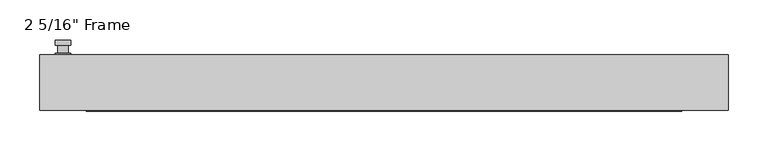
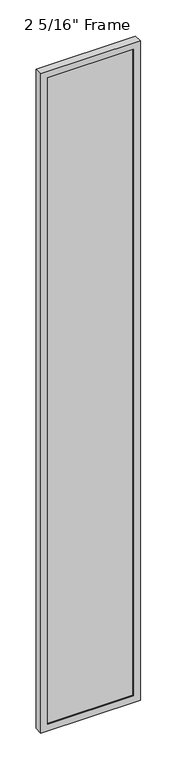
"""IFC4 building model written with IfcOpenShell, lengths in millimetres: plate geometry."""

from ifc_helpers import new_model, si_unit, frame, origin, place, context, project, spatial, polyline, circle_curve, outline, extrude, faceted_brep, source, transform, mapped, element, save
from ifc_brep_helpers import plane_surface, cylinder_surface, advanced_brep


def plate_1cd63632(model_context):
    return source(origin(), model_context, "Body", "SolidModel", [
        advanced_brep(
        [(-394.81125, 34.925, 927.1), (-413.86125, 34.925, 927.1), (-413.86125, 34.925, 901.7), (-394.81125, 34.925, 901.7), (-397.98625, 47.625, 914.4), (-397.98625, 38.1, 914.4), (-410.68625, 38.1, 914.4), (-410.68625, 47.625, 914.4), (-394.81125, 47.625, 914.4), (-413.86125, 47.625, 914.4), (-410.6822144, 47.625, 825.2736467), (-397.9902856, 47.625, 825.2736467), (-394.81125, 53.975, 914.4), (-397.9902856, 53.975, 825.2736467), (-410.6822144, 53.975, 825.2736467), (-413.86125, 53.975, 914.4), (-394.81125, 38.1, 927.1), (-394.81125, 38.1, 901.7), (-413.86125, 38.1, 901.7), (-413.86125, 38.1, 927.1)],
        [
            (0, 1, circle_curve(frame((-404.33625, 34.925, 927.1), z_axis=(0.0, -1.0, 0.0), x_axis=(-1.0, 0.0, 0.0)), 9.525)),
            (1, 2),
            (2, 3, circle_curve(frame((-404.33625, 34.925, 901.7), z_axis=(0.0, -1.0, 0.0), x_axis=(-1.0, 0.0, 0.0)), 9.525)),
            (3, 0),
            (4, 5),
            (5, 6, circle_curve(frame((-404.33625, 38.1, 914.4), z_axis=(0.0, 1.0, 0.0), x_axis=(-1.0, 0.0, 0.0)), 6.35)),
            (6, 7),
            (7, 4, circle_curve(frame((-404.33625, 47.625, 914.4), z_axis=(0.0, -1.0, 0.0), x_axis=(-1.0, 0.0, 0.0)), 6.35)),
            (6, 5, circle_curve(frame((-404.33625, 38.1, 914.4), z_axis=(0.0, 1.0, 0.0), x_axis=(-1.0, 0.0, 0.0)), 6.35)),
            (4, 7, circle_curve(frame((-404.33625, 47.625, 914.4), z_axis=(0.0, -1.0, 0.0), x_axis=(-1.0, 0.0, 0.0)), 6.35)),
            (8, 9, circle_curve(frame((-404.33625, 47.625, 914.4), z_axis=(0.0, -1.0, 0.0), x_axis=(-1.0, 0.0, 0.0)), 9.525)),
            (9, 10),
            (10, 11, circle_curve(frame((-404.33625, 47.625, 825.5), z_axis=(0.0, -1.0, 0.0), x_axis=(-1.0, 0.0, 0.0)), 6.35)),
            (11, 8),
            (12, 13),
            (13, 14, circle_curve(frame((-404.33625, 53.975, 825.5), z_axis=(0.0, 1.0, 0.0), x_axis=(-1.0, 0.0, 0.0)), 6.35)),
            (14, 15),
            (15, 12, circle_curve(frame((-404.33625, 53.975, 914.4), z_axis=(0.0, 1.0, 0.0), x_axis=(-1.0, 0.0, 0.0)), 9.525)),
            (11, 13),
            (12, 8),
            (10, 14),
            (9, 15),
            (16, 17),
            (17, 18, circle_curve(frame((-404.33625, 38.1, 901.7), z_axis=(0.0, 1.0, 0.0), x_axis=(-1.0, 0.0, 0.0)), 9.525)),
            (18, 19),
            (19, 16, circle_curve(frame((-404.33625, 38.1, 927.1), z_axis=(0.0, 1.0, 0.0), x_axis=(-1.0, 0.0, 0.0)), 9.525)),
            (3, 17),
            (16, 0),
            (2, 18),
            (1, 19),
        ],
        [
            plane_surface(frame((-410.68625, 34.925, 914.4), z_axis=(0.0, -1.0, 0.0), x_axis=(0.0, 0.0, 1.0))),
            cylinder_surface(frame((-404.33625, 47.625, 914.4), z_axis=(0.0, -1.0, 0.0), x_axis=(-1.0, 0.0, 0.0)), 6.35),
            plane_surface(frame((-394.81125, 47.625, 914.4), z_axis=(0.0, -1.0000000000000002, 0.0), x_axis=(-0.03564619348186888, 0.0, -0.9993644724975235))),
            plane_surface(frame((-394.81125, 53.975, 914.4), z_axis=(0.0, 1.0000000000000002, 0.0), x_axis=(0.03564619348186888, 0.0, 0.9993644724975235))),
            plane_surface(frame((-394.81125, 47.625, 914.4), z_axis=(0.9993644724975235, 0.0, -0.03564619348186888), x_axis=(0.0, 1.0, 0.0))),
            cylinder_surface(frame((-404.33625, 53.975, 825.5), z_axis=(0.0, -1.0, 0.0), x_axis=(-1.0, 0.0, 0.0)), 6.35),
            plane_surface(frame((-410.6822144, 47.625, 825.2736467), z_axis=(-0.9993644724975228, 0.0, -0.03564619348188612), x_axis=(0.0, 1.0, 0.0))),
            cylinder_surface(frame((-404.33625, 53.975, 914.4), z_axis=(0.0, -1.0, 0.0), x_axis=(-1.0, 0.0, 0.0)), 9.525),
            plane_surface(frame((-394.81125, 38.1, 901.7), z_axis=(0.0, 1.0, 0.0), x_axis=(0.0, 0.0, 1.0))),
            plane_surface(frame((-394.81125, 34.925, 927.1), z_axis=(1.0, 0.0, 0.0), x_axis=(0.0, 1.0, 0.0))),
            cylinder_surface(frame((-404.33625, 38.1, 901.7), z_axis=(0.0, -1.0, 0.0), x_axis=(-1.0, 0.0, 0.0)), 9.525),
            plane_surface(frame((-413.86125, 34.925, 901.7), z_axis=(-1.0, 0.0, 0.0), x_axis=(0.0, 1.0, 0.0))),
            cylinder_surface(frame((-404.33625, 38.1, 927.1), z_axis=(0.0, -1.0, 0.0), x_axis=(-1.0, 0.0, 0.0)), 9.525),
        ],
        [
            (0, [[1, 2, 3, 4]]),
            (1, [[5, 6, 7, 8]]),
            (1, [[-7, 9, -5, 10]]),
            (2, [[11, 12, 13, 14], [-10, -8]]),
            (3, [[15, 16, 17, 18]]),
            (4, [[19, -15, 20, -14]]),
            (5, [[21, -16, -19, -13]]),
            (6, [[22, -17, -21, -12]]),
            (7, [[-20, -18, -22, -11]]),
            (8, [[23, 24, 25, 26], [-9, -6]]),
            (9, [[27, -23, 28, -4]]),
            (10, [[29, -24, -27, -3]]),
            (11, [[30, -25, -29, -2]]),
            (12, [[-28, -26, -30, -1]]),
        ],
    ),
        faceted_brep([(-433.705, 34.925, 0.0), (433.705, 34.925, 0.0), (433.705, -34.925, 0.0), (-433.705, -34.925, 0.0), (-374.9675, -34.925, 6000.75), (-374.9675, -34.925, 58.7375), (-374.9675, -22.225, 58.7375), (-374.9675, -22.225, 6000.75), (387.6675, -22.225, 6013.45), (387.6675, -22.225, 46.0375), (-387.6675, -22.225, 46.0375), (-387.6675, -22.225, 6013.45), (374.9675, -22.225, 58.7375), (374.9675, -22.225, 6000.75), (-387.6675, 1.5875, 46.0375), (-387.6675, 1.5875, 6013.45), (387.6675, 1.5875, 46.0375), (387.6675, 1.5875, 6013.45), (-374.9675, 1.5875, 6000.75), (374.9675, 1.5875, 6000.75), (374.9675, 1.5875, 58.7375), (-374.9675, 1.5875, 58.7375), (-374.9675, 34.925, 58.7375), (-374.9675, 34.925, 6000.75), (-433.705, 34.925, 6059.4875), (433.705, 34.925, 6059.4875), (374.9675, 34.925, 58.7375), (374.9675, 34.925, 6000.75), (-433.705, -34.925, 6059.4875), (433.705, -34.925, 6059.4875), (374.9675, -34.925, 6000.75), (374.9675, -34.925, 58.7375)], [[[0, 1, 2, 3]], [[4, 5, 6, 7]], [[8, 9, 10, 11], [7, 6, 12, 13]], [[10, 14, 15, 11]], [[15, 14, 16, 17], [18, 19, 20, 21]], [[18, 21, 22, 23]], [[0, 24, 25, 1], [23, 22, 26, 27]], [[3, 28, 24, 0]], [[2, 29, 28, 3], [4, 30, 31, 5]], [[7, 13, 30, 4]], [[11, 15, 17, 8]], [[18, 23, 27, 19]], [[24, 28, 29, 25]], [[13, 12, 31, 30]], [[16, 9, 8, 17]], [[27, 26, 20, 19]], [[25, 29, 2, 1]], [[22, 21, 20, 26]], [[9, 16, 14, 10]], [[6, 5, 31, 12]]]),
        extrude(outline(polyline([(387.6675, 1.5875), (387.6675, -22.225), (-387.6675, -22.225), (-387.6675, 1.5875), (387.6675, 1.5875)])), frame((0.0, 0.0, 46.0375), z_axis=(0.0, 0.0, 1.0), x_axis=(1.0, 0.0, 0.0)), (0.0, 0.0, 1.0), 5967.4125),
    ])


if __name__ == "__main__":
    model = new_model("IFC4")
    model_context = context("Model", 3, world=origin())
    ifc_project = project(units=[si_unit("LENGTHUNIT", "METRE", prefix="MILLI")], contexts=[model_context])
    site = spatial("IfcSite", under=ifc_project)
    building = spatial("IfcBuilding", under=site)
    placement = place(None, origin())
    plate_shape = plate_1cd63632(model_context)
    element("IfcPlate", 1, ObjectType="2 5/16\" Frame", at=placement, inside=building, context=model_context, shape_type="MappedRepresentation", body=[
        mapped(plate_shape, transform((0.0, 0.0, 0.0), x_axis=(1.0, 0.0, 0.0), y_axis=(0.0, 1.0, 0.0), z_axis=(0.0, 0.0, 1.0))),
    ])
    save(model, "model.ifc")
